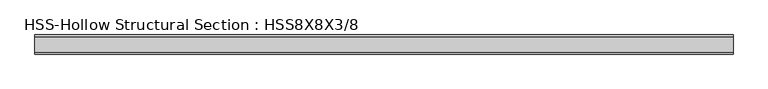
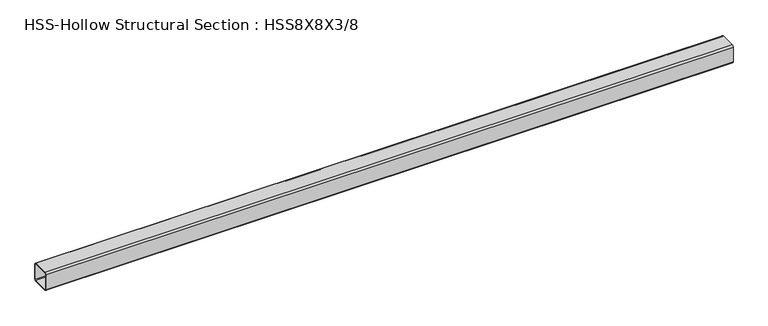
"""IFC4 building model written with IfcOpenShell, lengths in millimetres: beam geometry, HSS-Hollow Structural Section : HSS8X8X3/8."""

from ifc_helpers import new_model, si_unit, point, frame, frame_2d, origin, place, context, project, spatial, polyline, circle_curve, trimmed, segment, composite_curve, outline, extrude, source, transform, mapped, element, save


def hss_hollow_structural_section_hss8x8x3_8_51a7c9d2(model_context):
    return source(origin(), model_context, "Body", "SweptSolid", [
        extrude(outline(composite_curve([segment(polyline([(101.6, 83.8708), (101.6, -83.8708)]), True, "CONTINUOUS"), segment(trimmed(circle_curve(frame_2d((83.8708, -83.8708)), 17.7292), [point((101.6, -83.8708))], [point((83.8708, -101.6))], False, "CARTESIAN"), True, "CONTINUOUS"), segment(polyline([(83.8708, -101.6), (-83.8708, -101.6)]), True, "CONTINUOUS"), segment(trimmed(circle_curve(frame_2d((-83.8708, -83.8708)), 17.7292), [point((-83.8708, -101.6))], [point((-101.6, -83.8708))], False, "CARTESIAN"), True, "CONTINUOUS"), segment(polyline([(-101.6, -83.8708), (-101.6, 83.8708)]), True, "CONTINUOUS"), segment(trimmed(circle_curve(frame_2d((-83.8708, 83.8708)), 17.7292), [point((-101.6, 83.8708))], [point((-83.8708, 101.6))], False, "CARTESIAN"), True, "CONTINUOUS"), segment(polyline([(-83.8708, 101.6), (83.8708, 101.6)]), True, "CONTINUOUS"), segment(trimmed(circle_curve(frame_2d((83.8708, 83.8708)), 17.7292), [point((83.8708, 101.6))], [point((101.6, 83.8708))], False, "CARTESIAN"), True, "CONTINUOUS")], self_intersect=False), holes=[composite_curve([segment(trimmed(circle_curve(frame_2d((-83.8708, 83.8708)), 8.8646), [point((-83.8708, 92.7354))], [point((-92.7354, 83.8708))], True, "CARTESIAN"), True, "CONTINUOUS"), segment(polyline([(-92.7354, 83.8708), (-92.7354, -83.8708)]), True, "CONTINUOUS"), segment(trimmed(circle_curve(frame_2d((-83.8708, -83.8708)), 8.8646), [point((-92.7354, -83.8708))], [point((-83.8708, -92.7354))], True, "CARTESIAN"), True, "CONTINUOUS"), segment(polyline([(-83.8708, -92.7354), (83.8708, -92.7354)]), True, "CONTINUOUS"), segment(trimmed(circle_curve(frame_2d((83.8708, -83.8708)), 8.8646), [point((83.8708, -92.7354))], [point((92.7354, -83.8708))], True, "CARTESIAN"), True, "CONTINUOUS"), segment(polyline([(92.7354, -83.8708), (92.7354, 83.8708)]), True, "CONTINUOUS"), segment(trimmed(circle_curve(frame_2d((83.8708, 83.8708)), 8.8646), [point((92.7354, 83.8708))], [point((83.8708, 92.7354))], True, "CARTESIAN"), True, "CONTINUOUS"), segment(polyline([(83.8708, 92.7354), (-83.8708, 92.7354)]), True, "CONTINUOUS")], self_intersect=False)]), frame((-3715.1946143, 0.0, 0.0), z_axis=(1.0, 0.0, 0.0), x_axis=(0.0, 1.0, 0.0)), (0.0, 0.0, 1.0), 7430.3892285),
    ])


if __name__ == "__main__":
    model = new_model("IFC4")
    model_context = context("Model", 3, world=origin())
    ifc_project = project(units=[si_unit("LENGTHUNIT", "METRE", prefix="MILLI")], contexts=[model_context])
    site = spatial("IfcSite", under=ifc_project)
    building = spatial("IfcBuilding", under=site)
    placement = place(None, origin())
    hss_hollow_structural_section_hss8x8x3_8_shape = hss_hollow_structural_section_hss8x8x3_8_51a7c9d2(model_context)
    element("IfcBeam", 1, ObjectType="HSS-Hollow Structural Section : HSS8X8X3/8", at=placement, inside=building, context=model_context, shape_type="MappedRepresentation", body=[
        mapped(hss_hollow_structural_section_hss8x8x3_8_shape, transform((0.0, 0.0, 0.0), x_axis=(1.0, 0.0, 0.0), y_axis=(0.0, 1.0, 0.0), z_axis=(0.0, 0.0, 1.0))),
    ])
    save(model, "model.ifc")
